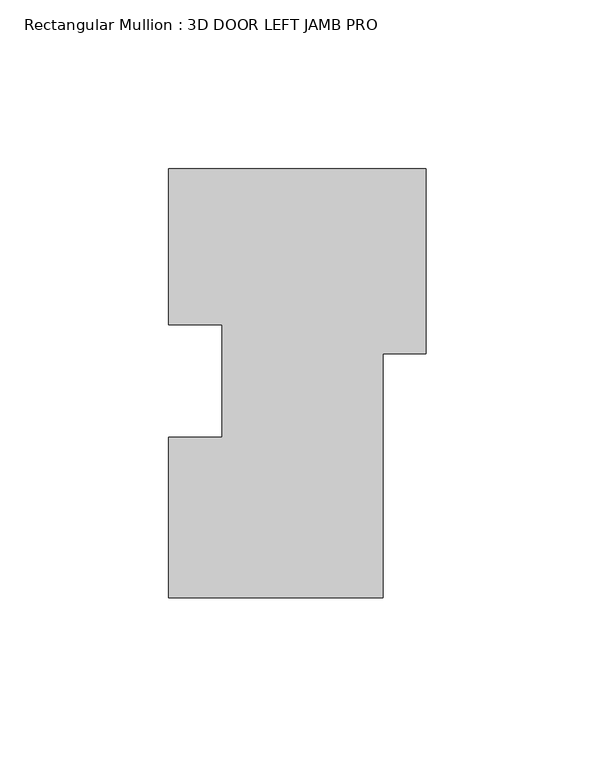
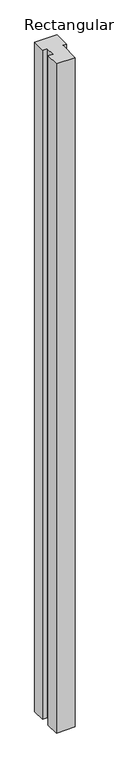
"""IFC4 building model written with IfcOpenShell, lengths in millimetres: member geometry, Rectangular Mullion : 3D DOOR LEFT JAMB PRO."""

from ifc_helpers import new_model, si_unit, frame, origin, place, context, project, spatial, polyline, outline, extrude, source, transform, mapped, element, save


def rectangular_mullion_3d_door_left_jamb_pro_49211ca6(model_context):
    return source(origin(), model_context, "Body", "SweptSolid", [
        extrude(outline(polyline([(-31.75, -63.4111), (-31.75, -15.9570314), (-15.875, -15.9570314), (-15.875, 17.40599), (-31.75, 17.40599), (-31.75, 63.5889), (44.45, 63.5889), (44.45, 8.801227), (31.75, 8.801227), (31.75, -63.4111), (-31.75, -63.4111)])), frame((0.0, 0.0, -2393.95), z_axis=(0.0, 0.0, 1.0), x_axis=(1.0, 0.0, 0.0)), (0.0, 0.0, 1.0), 2393.95),
    ])


if __name__ == "__main__":
    model = new_model("IFC4")
    model_context = context("Model", 3, world=origin())
    ifc_project = project(units=[si_unit("LENGTHUNIT", "METRE", prefix="MILLI")], contexts=[model_context])
    site = spatial("IfcSite", under=ifc_project)
    building = spatial("IfcBuilding", under=site)
    placement = place(None, origin())
    rectangular_mullion_3d_door_left_jamb_pro_shape = rectangular_mullion_3d_door_left_jamb_pro_49211ca6(model_context)
    element("IfcMember", 1, ObjectType="Rectangular Mullion : 3D DOOR LEFT JAMB PRO", at=placement, inside=building, context=model_context, shape_type="MappedRepresentation", body=[
        mapped(rectangular_mullion_3d_door_left_jamb_pro_shape, transform((0.0, 0.0, 0.0), x_axis=(1.0, 0.0, 0.0), y_axis=(0.0, 1.0, 0.0), z_axis=(0.0, 0.0, 1.0))),
    ])
    save(model, "model.ifc")
